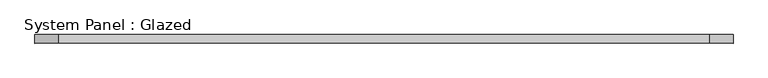
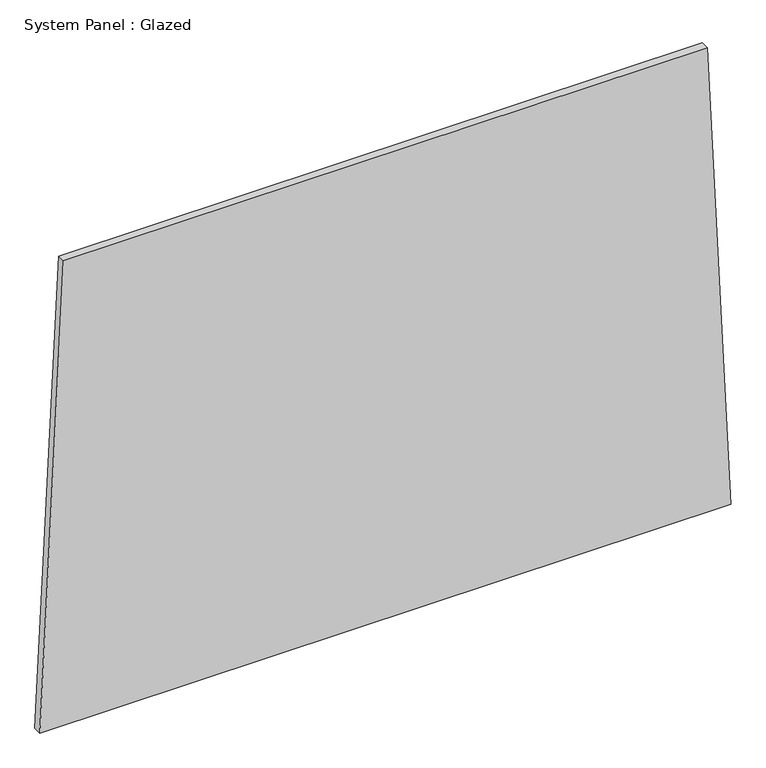
"""IFC4 building model written with IfcOpenShell, lengths in millimetres: plate geometry, System Panel : Glazed."""

from ifc_helpers import new_model, si_unit, frame, origin, place, context, project, spatial, polyline, outline, extrude, source, transform, mapped, element, save


def system_panel_glazed_3b848b25(model_context):
    return source(origin(), model_context, "Body", "SweptSolid", [
        extrude(outline(polyline([(0.0, -1019.7861291), (0.0, 1019.7861291), (1448.262981, 950.0289328), (1448.2627248, -950.0222838), (0.0, -1019.7861291)])), frame((0.0, -49.5, 0.0), z_axis=(0.0, 1.0, 0.0), x_axis=(0.0, 0.0, 1.0)), (0.0, 0.0, 1.0), 25.0),
    ])


if __name__ == "__main__":
    model = new_model("IFC4")
    model_context = context("Model", 3, world=origin())
    ifc_project = project(units=[si_unit("LENGTHUNIT", "METRE", prefix="MILLI")], contexts=[model_context])
    site = spatial("IfcSite", under=ifc_project)
    building = spatial("IfcBuilding", under=site)
    placement = place(None, origin())
    system_panel_glazed_shape = system_panel_glazed_3b848b25(model_context)
    element("IfcPlate", 1, ObjectType="System Panel : Glazed", at=placement, inside=building, context=model_context, shape_type="MappedRepresentation", body=[
        mapped(system_panel_glazed_shape, transform((0.0, 0.0, 0.0), x_axis=(1.0, 0.0, 0.0), y_axis=(0.0, 1.0, 0.0), z_axis=(0.0, 0.0, 1.0))),
    ])
    save(model, "model.ifc")
